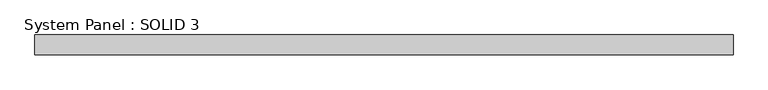
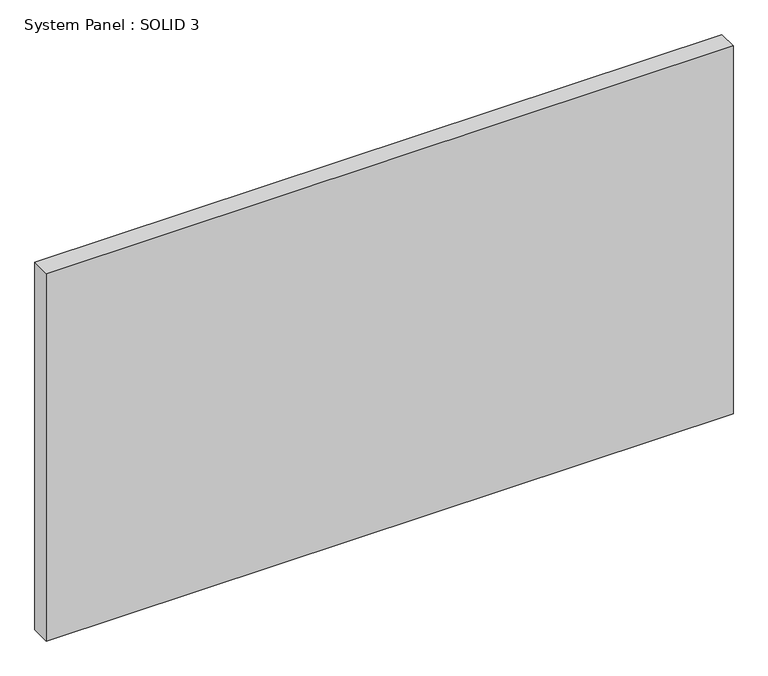
"""IFC4 building model written with IfcOpenShell, lengths in millimetres: plate geometry, System Panel : SOLID 3."""

from ifc_helpers import new_model, si_unit, origin, origin_with_axes, place, context, project, spatial, polyline, outline, extrude, source, transform, mapped, element, save


def system_panel_solid_3_7367aa42(model_context):
    return source(origin(), model_context, "Body", "SweptSolid", [
        extrude(outline(polyline([(1422.5, 80.0), (-1422.5, 80.0), (-1422.5, 160.0), (1422.5, 160.0), (1422.5, 80.0)])), origin_with_axes(), (0.0, 0.0, 1.0), 1609.0),
    ])


if __name__ == "__main__":
    model = new_model("IFC4")
    model_context = context("Model", 3, world=origin())
    ifc_project = project(units=[si_unit("LENGTHUNIT", "METRE", prefix="MILLI")], contexts=[model_context])
    site = spatial("IfcSite", under=ifc_project)
    building = spatial("IfcBuilding", under=site)
    placement = place(None, origin())
    system_panel_solid_3_shape = system_panel_solid_3_7367aa42(model_context)
    element("IfcPlate", 1, ObjectType="System Panel : SOLID 3", at=placement, inside=building, context=model_context, shape_type="MappedRepresentation", body=[
        mapped(system_panel_solid_3_shape, transform((0.0, 0.0, 0.0), x_axis=(1.0, 0.0, 0.0), y_axis=(0.0, 1.0, 0.0), z_axis=(0.0, 0.0, 1.0))),
    ])
    save(model, "model.ifc")
